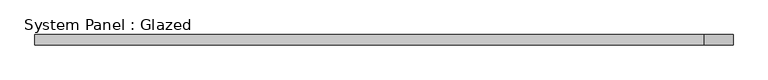
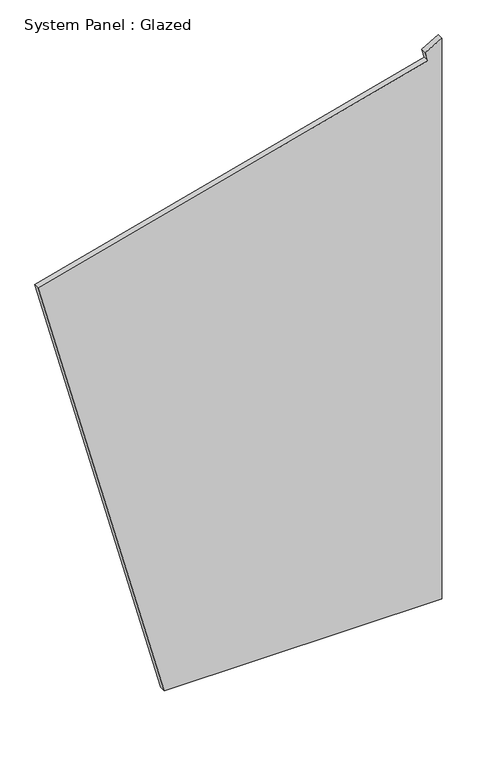
"""IFC4 building model written with IfcOpenShell, lengths in millimetres: plate geometry, System Panel : Glazed."""

from ifc_helpers import new_model, si_unit, frame, origin, place, context, project, spatial, polyline, outline, extrude, source, transform, mapped, element, save


def system_panel_glazed_4a91d0e7(model_context):
    return source(origin(), model_context, "Body", "SweptSolid", [
        extrude(outline(polyline([(0.0, -319.5627252), (0.0, 850.6102778), (2500.8022034, 850.6102778), (2461.9793467, 780.7214038), (2421.8888243, 791.4636269), (1981.8964476, -850.6102778), (0.0, -319.5627252)])), frame((0.0, -2.5, 0.0), z_axis=(0.0, 1.0, 0.0), x_axis=(0.0, 0.0, 1.0)), (0.0, 0.0, 1.0), 25.0),
    ])


if __name__ == "__main__":
    model = new_model("IFC4")
    model_context = context("Model", 3, world=origin())
    ifc_project = project(units=[si_unit("LENGTHUNIT", "METRE", prefix="MILLI")], contexts=[model_context])
    site = spatial("IfcSite", under=ifc_project)
    building = spatial("IfcBuilding", under=site)
    placement = place(None, origin())
    system_panel_glazed_shape = system_panel_glazed_4a91d0e7(model_context)
    element("IfcPlate", 1, ObjectType="System Panel : Glazed", at=placement, inside=building, context=model_context, shape_type="MappedRepresentation", body=[
        mapped(system_panel_glazed_shape, transform((0.0, 0.0, 0.0), x_axis=(1.0, 0.0, 0.0), y_axis=(0.0, 1.0, 0.0), z_axis=(0.0, 0.0, 1.0))),
    ])
    save(model, "model.ifc")
